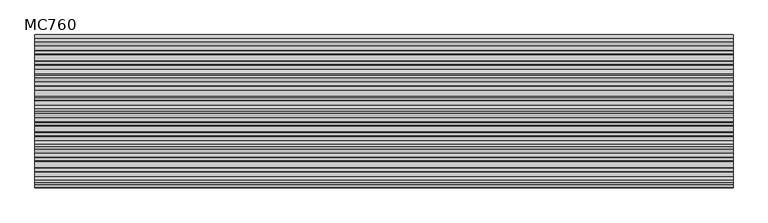
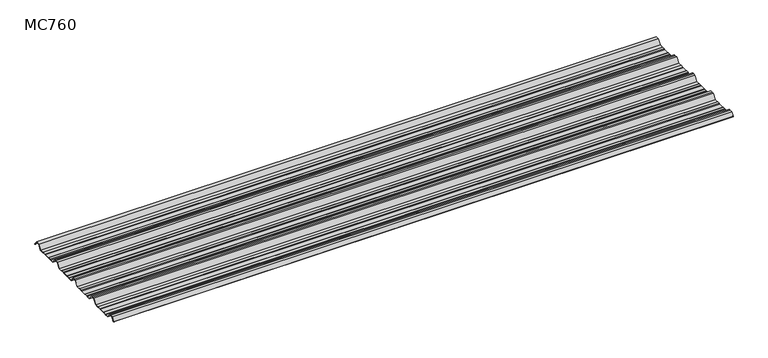
"""IFC4 building model written with IfcOpenShell, lengths in millimetres: beam geometry, MC760."""

from ifc_helpers import new_model, si_unit, point, frame, frame_2d, origin, place, context, project, spatial, polyline, circle_curve, trimmed, segment, composite_curve, outline, extrude, source, transform, mapped, element, save


def mc760_8d11244d(model_context):
    return source(origin(), model_context, "Body", "SweptSolid", [
        extrude(outline(composite_curve([segment(polyline([(-157.5000859, -25.7896475), (-178.0745114, 2.2103525), (-190.0, 2.2103525), (-201.9254886, 2.2103525), (-222.4999141, -25.7896475), (-245.1975582, -25.7896475), (-248.4126024, -23.7494212), (-264.8405937, -23.7494212), (-269.2209114, -25.7896475), (-300.7790886, -25.7896475), (-305.1594063, -23.7494212), (-321.5873976, -23.7494212), (-324.8024418, -25.7896475), (-347.5000859, -25.7896475), (-368.0745114, 2.2103525), (-380.0, 2.2103525), (-391.9254886, 2.2103525), (-412.4999141, -25.7896475), (-435.1975582, -25.7896475), (-438.4126024, -23.7494212), (-454.8405937, -23.7494212), (-459.2209114, -25.7896475), (-490.7790886, -25.7896475), (-495.1594063, -23.7494212), (-511.5873976, -23.7494212), (-514.8024418, -25.7896475), (-537.5000859, -25.7896475), (-558.0745114, 2.2103525), (-570.0, 2.2103525), (-581.9254886, 2.2103525), (-602.4999141, -25.7896475), (-625.1975582, -25.7896475), (-628.4126024, -23.7494212), (-644.8405937, -23.7494212), (-649.2209114, -25.7896475), (-680.7790886, -25.7896475), (-685.1594063, -23.7494212), (-701.5873976, -23.7494212), (-704.8024418, -25.7896475), (-727.5000859, -25.7896475), (-748.0745114, 2.2103525), (-760.0, 2.2103525), (-771.9254886, 2.2103525), (-787.4770979, -18.9540324)]), True, "CONTINUOUS"), segment(trimmed(circle_curve(frame_2d((-787.9022179, -18.6416538)), 0.5275485), [point((-787.4770979, -18.9540324))], [point((-788.327338, -18.3292752))], False, "CARTESIAN"), True, "CONTINUOUS"), segment(polyline([(-788.327338, -18.3292752), (-772.5, 3.2103525), (-760.0, 3.2103525), (-747.5, 3.2103525), (-726.9255746, -24.7896475), (-705.0929563, -24.7896475), (-701.8779121, -22.7494212), (-684.9379428, -22.7494212), (-680.5576251, -24.7896475), (-649.4423749, -24.7896475), (-645.0620572, -22.7494212), (-628.1220879, -22.7494212), (-624.9070437, -24.7896475), (-603.0744254, -24.7896475), (-582.5, 3.2103525), (-570.0, 3.2103525), (-557.5, 3.2103525), (-536.9255746, -24.7896475), (-515.0929563, -24.7896475), (-511.8779121, -22.7494212), (-494.9379428, -22.7494212), (-490.5576251, -24.7896475), (-459.4423749, -24.7896475), (-455.0620572, -22.7494212), (-438.1220879, -22.7494212), (-434.9070437, -24.7896475), (-413.0744254, -24.7896475), (-392.5, 3.2103525), (-380.0, 3.2103525), (-367.5, 3.2103525), (-346.9255746, -24.7896475), (-325.0929563, -24.7896475), (-321.8779121, -22.7494212), (-304.9379428, -22.7494212), (-300.5576251, -24.7896475), (-269.4423749, -24.7896475), (-265.0620572, -22.7494212), (-248.1220879, -22.7494212), (-244.9070437, -24.7896475), (-223.0744254, -24.7896475), (-202.5, 3.2103525), (-190.0, 3.2103525), (-177.5, 3.2103525), (-156.9255746, -24.7896475), (-135.0929563, -24.7896475), (-131.8779121, -22.7494212), (-114.9379428, -22.7494212), (-110.5576251, -24.7896475), (-79.4423749, -24.7896475), (-75.0620572, -22.7494212), (-58.1220879, -22.7494212), (-54.9070437, -24.7896475), (-30.524173, -24.7896475), (-11.4193494, 1.2103525), (11.4193494, 1.2103525), (27.9327415, -21.262935)]), True, "CONTINUOUS"), segment(trimmed(circle_curve(frame_2d((27.5298212, -21.5590012)), 0.5), [point((27.9327415, -21.262935))], [point((27.1269009, -21.8550675))], False, "CARTESIAN"), True, "CONTINUOUS"), segment(polyline([(27.1269009, -21.8550675), (10.9132102, 0.2103525), (-10.9132102, 0.2103525), (-30.0180338, -25.7896475), (-55.1975582, -25.7896475), (-58.4126024, -23.7494212), (-74.8405937, -23.7494212), (-79.2209114, -25.7896475), (-110.7790886, -25.7896475), (-115.1594063, -23.7494212), (-131.5873976, -23.7494212), (-134.8024418, -25.7896475), (-157.5000859, -25.7896475)]), True, "CONTINUOUS")], self_intersect=False)), frame((-1856.9608976, 0.0, 0.0), z_axis=(1.0, 0.0, 0.0), x_axis=(0.0, 1.0, 0.0)), (0.0, 0.0, 1.0), 3713.9217953),
    ])


if __name__ == "__main__":
    model = new_model("IFC4")
    model_context = context("Model", 3, world=origin())
    ifc_project = project(units=[si_unit("LENGTHUNIT", "METRE", prefix="MILLI")], contexts=[model_context])
    site = spatial("IfcSite", under=ifc_project)
    building = spatial("IfcBuilding", under=site)
    placement = place(None, origin())
    mc760_shape = mc760_8d11244d(model_context)
    element("IfcBeam", 1, ObjectType="MC760", at=placement, inside=building, context=model_context, shape_type="MappedRepresentation", body=[
        mapped(mc760_shape, transform((0.0, 0.0, 0.0), x_axis=(1.0, 0.0, 0.0), y_axis=(0.0, 1.0, 0.0), z_axis=(0.0, 0.0, 1.0))),
    ])
    save(model, "model.ifc")
